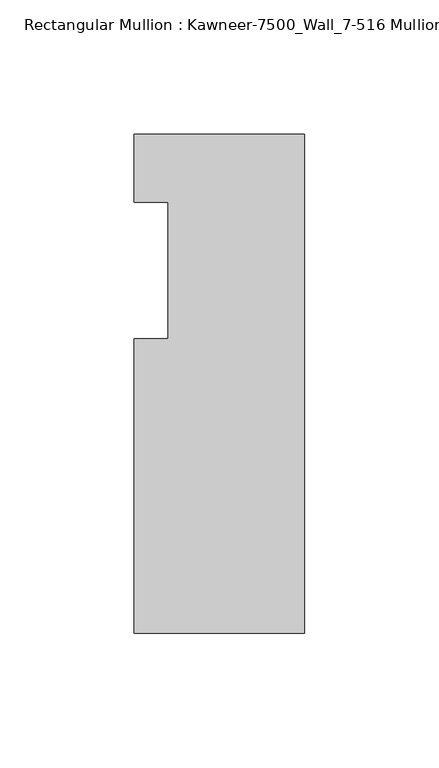
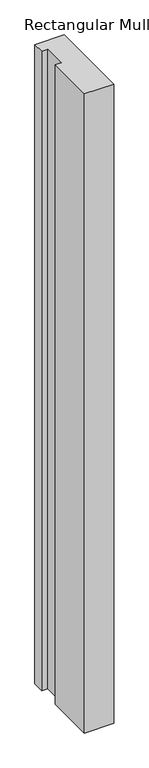
"""IFC4 building model written with IfcOpenShell, lengths in millimetres: member geometry, Rectangular Mullion : Kawneer-7500_Wall_7-516 Mullion_Jamb R."""

from ifc_helpers import new_model, si_unit, frame, origin, place, context, project, spatial, polyline, outline, extrude, source, transform, mapped, element, save


def rectangular_mullion_kawneer_7500_wall_7_516_mullion_jamb_r_468c2d13(model_context):
    return source(origin(), model_context, "Body", "SweptSolid", [
        extrude(outline(polyline([(-63.5, -134.9375), (-63.5, -25.4), (-50.7982296, -25.4), (-50.7982296, 25.4), (-63.5, 25.4), (-63.5, 50.8), (0.0, 50.8), (0.0, -134.9375), (-63.5, -134.9375)])), frame((0.0, 0.0, -1463.04), z_axis=(0.0, 0.0, 1.0), x_axis=(1.0, 0.0, 0.0)), (0.0, 0.0, 1.0), 1463.04),
    ])


if __name__ == "__main__":
    model = new_model("IFC4")
    model_context = context("Model", 3, world=origin())
    ifc_project = project(units=[si_unit("LENGTHUNIT", "METRE", prefix="MILLI")], contexts=[model_context])
    site = spatial("IfcSite", under=ifc_project)
    building = spatial("IfcBuilding", under=site)
    placement = place(None, origin())
    rectangular_mullion_kawneer_7500_wall_7_516_mullion_jamb_r_shape = rectangular_mullion_kawneer_7500_wall_7_516_mullion_jamb_r_468c2d13(model_context)
    element("IfcMember", 1, ObjectType="Rectangular Mullion : Kawneer-7500_Wall_7-516 Mullion_Jamb R", at=placement, inside=building, context=model_context, shape_type="MappedRepresentation", body=[
        mapped(rectangular_mullion_kawneer_7500_wall_7_516_mullion_jamb_r_shape, transform((0.0, 0.0, 0.0), x_axis=(1.0, 0.0, 0.0), y_axis=(0.0, 1.0, 0.0), z_axis=(0.0, 0.0, 1.0))),
    ])
    save(model, "model.ifc")
